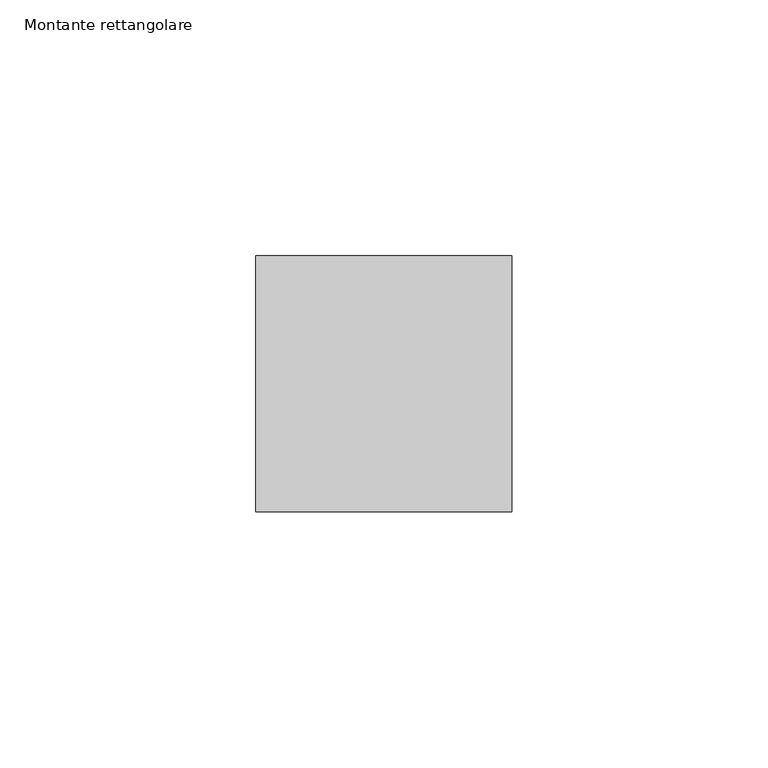
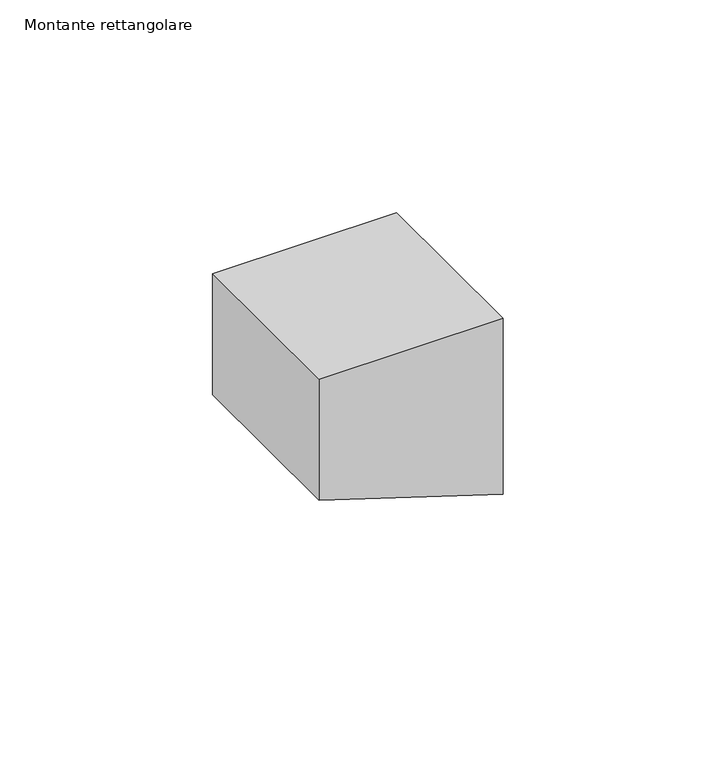
"""IFC4 building model written with IfcOpenShell, lengths in millimetres: member geometry, Montante rettangolare."""

from ifc_helpers import new_model, si_unit, frame, origin, place, context, project, spatial, polyline, outline, extrude, source, transform, mapped, element, save


def montante_rettangolare_20119fc0(model_context):
    return source(origin(), model_context, "Body", "SweptSolid", [
        extrude(outline(polyline([(0.0, 0.0), (0.0, -50.0), (-34.7113885, -50.0), (-50.4763279, 0.0), (0.0, 0.0)])), frame((0.0, -25.0, 0.0), z_axis=(0.0, 1.0, 0.0), x_axis=(0.0, 0.0, 1.0)), (0.0, 0.0, 1.0), 50.0),
    ])


if __name__ == "__main__":
    model = new_model("IFC4")
    model_context = context("Model", 3, world=origin())
    ifc_project = project(units=[si_unit("LENGTHUNIT", "METRE", prefix="MILLI")], contexts=[model_context])
    site = spatial("IfcSite", under=ifc_project)
    building = spatial("IfcBuilding", under=site)
    placement = place(None, origin())
    montante_rettangolare_shape = montante_rettangolare_20119fc0(model_context)
    element("IfcMember", 1, ObjectType="Montante rettangolare", at=placement, inside=building, context=model_context, shape_type="MappedRepresentation", body=[
        mapped(montante_rettangolare_shape, transform((0.0, 0.0, 0.0), x_axis=(1.0, 0.0, 0.0), y_axis=(0.0, 1.0, 0.0), z_axis=(0.0, 0.0, 1.0))),
    ])
    save(model, "model.ifc")
